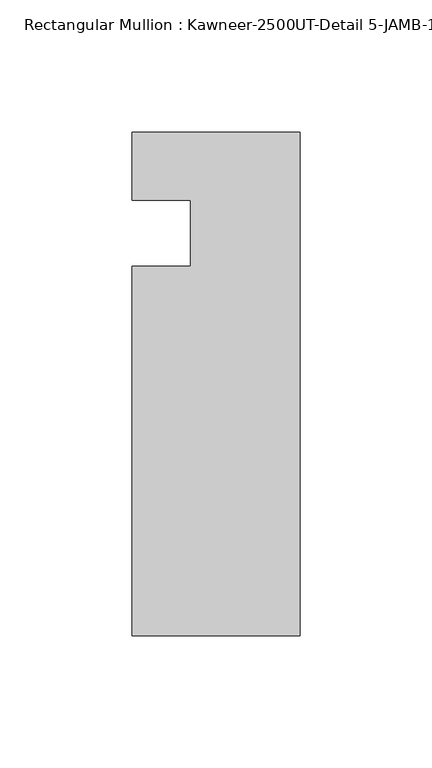
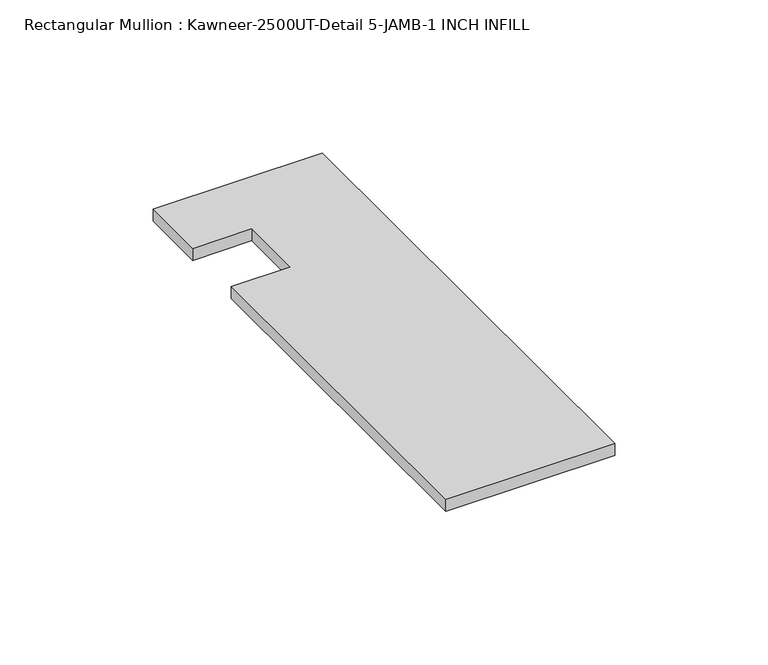
"""IFC4 building model written with IfcOpenShell, lengths in millimetres: member geometry, Rectangular Mullion : Kawneer-2500UT-Detail 5-JAMB-1 INCH INFILL."""

from ifc_helpers import new_model, si_unit, frame, origin, place, context, project, spatial, polyline, outline, extrude, source, transform, mapped, element, save


def rectangular_mullion_kawneer_2500ut_detail_5_jamb_1_inch_20be776f(model_context):
    return source(origin(), model_context, "Body", "SweptSolid", [
        extrude(outline(polyline([(-82.7668749, -165.1096688), (-82.7668749, -25.4096738), (-60.5419882, -25.4096738), (-60.5419882, -0.3273021), (-82.7668749, -0.3273021), (-82.7668749, 25.3903262), (-19.2668749, 25.3903262), (-19.2668749, -165.1096688), (-82.7668749, -165.1096688)])), frame((0.0, 0.0, -4.7625), z_axis=(0.0, 0.0, 1.0), x_axis=(1.0, 0.0, 0.0)), (0.0, 0.0, 1.0), 4.7625),
    ])


if __name__ == "__main__":
    model = new_model("IFC4")
    model_context = context("Model", 3, world=origin())
    ifc_project = project(units=[si_unit("LENGTHUNIT", "METRE", prefix="MILLI")], contexts=[model_context])
    site = spatial("IfcSite", under=ifc_project)
    building = spatial("IfcBuilding", under=site)
    placement = place(None, origin())
    rectangular_mullion_kawneer_2500ut_detail_5_jamb_1_inch_shape = rectangular_mullion_kawneer_2500ut_detail_5_jamb_1_inch_20be776f(model_context)
    element("IfcMember", 1, ObjectType="Rectangular Mullion : Kawneer-2500UT-Detail 5-JAMB-1 INCH INFILL", at=placement, inside=building, context=model_context, shape_type="MappedRepresentation", body=[
        mapped(rectangular_mullion_kawneer_2500ut_detail_5_jamb_1_inch_shape, transform((0.0, 0.0, 0.0), x_axis=(1.0, 0.0, 0.0), y_axis=(0.0, 1.0, 0.0), z_axis=(0.0, 0.0, 1.0))),
    ])
    save(model, "model.ifc")
